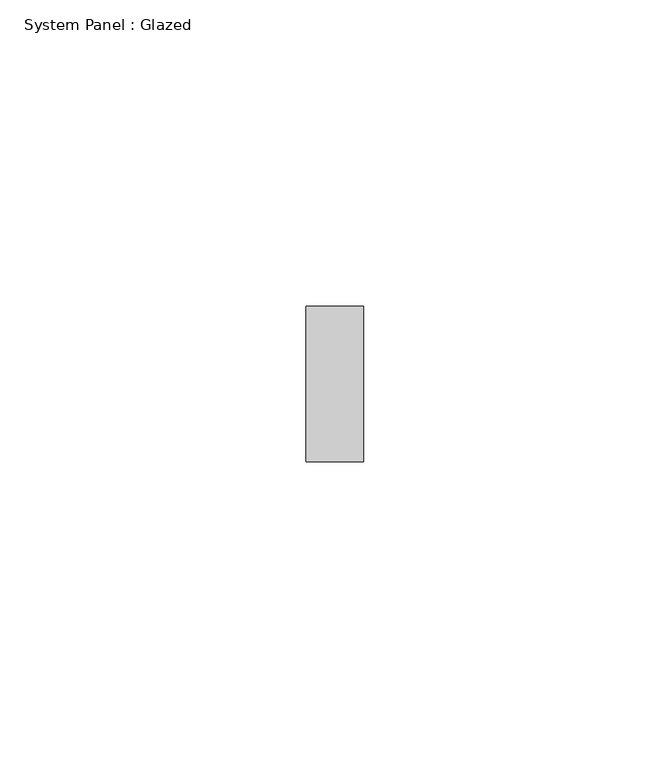
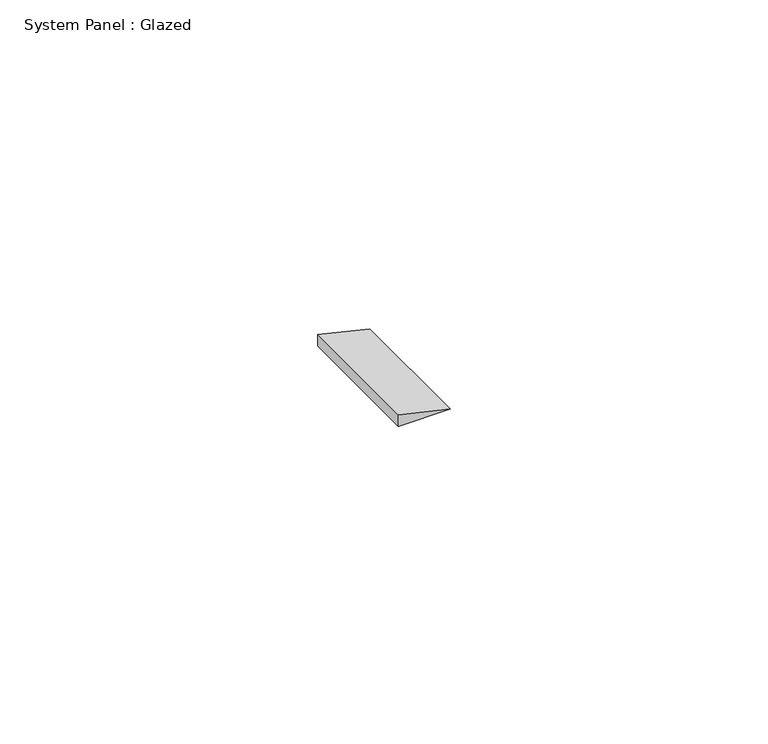
"""IFC4 building model written with IfcOpenShell, lengths in millimetres: plate geometry, System Panel : Glazed."""

from ifc_helpers import new_model, si_unit, frame, origin, place, context, project, spatial, polyline, outline, extrude, source, transform, mapped, element, save


def system_panel_glazed_8dd6fdf1(model_context):
    return source(origin(), model_context, "Body", "SweptSolid", [
        extrude(outline(polyline([(0.0, -4.7011415), (0.0, 4.7011415), (2.2031226, -4.7011415), (0.0, -4.7011415)])), frame((0.0, 19.05, 0.0), z_axis=(0.0, 1.0, 0.0), x_axis=(0.0, 0.0, 1.0)), (0.0, 0.0, 1.0), 25.4),
    ])


if __name__ == "__main__":
    model = new_model("IFC4")
    model_context = context("Model", 3, world=origin())
    ifc_project = project(units=[si_unit("LENGTHUNIT", "METRE", prefix="MILLI")], contexts=[model_context])
    site = spatial("IfcSite", under=ifc_project)
    building = spatial("IfcBuilding", under=site)
    placement = place(None, origin())
    system_panel_glazed_shape = system_panel_glazed_8dd6fdf1(model_context)
    element("IfcPlate", 1, ObjectType="System Panel : Glazed", at=placement, inside=building, context=model_context, shape_type="MappedRepresentation", body=[
        mapped(system_panel_glazed_shape, transform((0.0, 0.0, 0.0), x_axis=(1.0, 0.0, 0.0), y_axis=(0.0, 1.0, 0.0), z_axis=(0.0, 0.0, 1.0))),
    ])
    save(model, "model.ifc")
